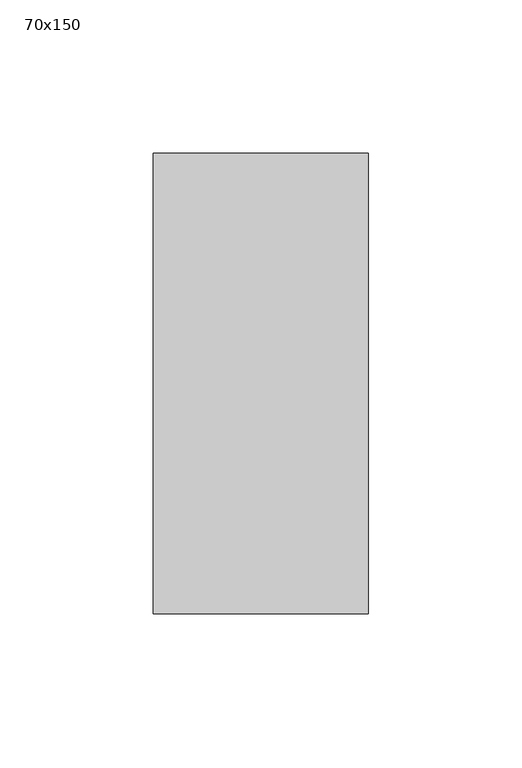
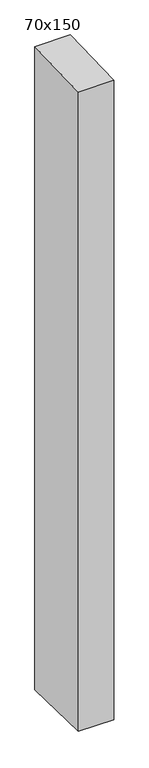
"""IFC4 building model written with IfcOpenShell, lengths in millimetres: member geometry, 70x150."""

from ifc_helpers import new_model, si_unit, frame, origin, place, context, project, spatial, polyline, outline, extrude, source, transform, mapped, element, save


def member_70x150_3f02e59b(model_context):
    return source(origin(), model_context, "Body", "SweptSolid", [
        extrude(outline(polyline([(-75.0, -2.4033273), (75.0, 2.4033273), (75.0, -1350.8839214), (-75.0, -1347.3669307), (-75.0, -2.4033273)])), frame((-35.0, 0.0, 0.0), z_axis=(1.0, 0.0, 0.0), x_axis=(0.0, 1.0, 0.0)), (0.0, 0.0, 1.0), 70.0),
    ])


if __name__ == "__main__":
    model = new_model("IFC4")
    model_context = context("Model", 3, world=origin())
    ifc_project = project(units=[si_unit("LENGTHUNIT", "METRE", prefix="MILLI")], contexts=[model_context])
    site = spatial("IfcSite", under=ifc_project)
    building = spatial("IfcBuilding", under=site)
    placement = place(None, origin())
    member_70x150_shape = member_70x150_3f02e59b(model_context)
    element("IfcMember", 1, ObjectType="70x150", at=placement, inside=building, context=model_context, shape_type="MappedRepresentation", body=[
        mapped(member_70x150_shape, transform((0.0, 0.0, 0.0), x_axis=(1.0, 0.0, 0.0), y_axis=(0.0, 1.0, 0.0), z_axis=(0.0, 0.0, 1.0))),
    ])
    save(model, "model.ifc")
